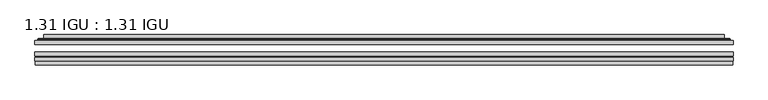
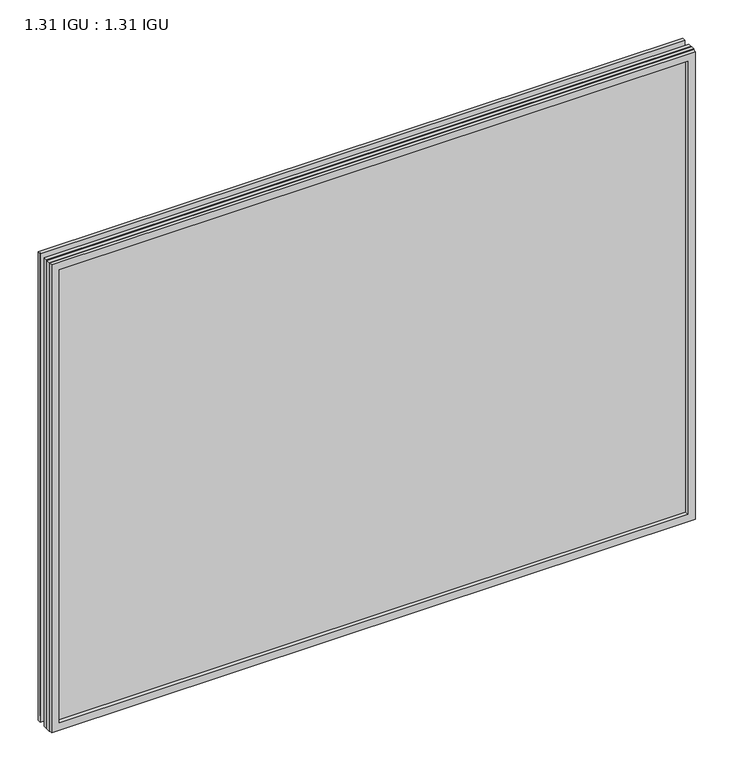
"""IFC4 building model written with IfcOpenShell, lengths in millimetres: plate geometry, 1.31 IGU : 1.31 IGU."""

from ifc_helpers import new_model, si_unit, frame, origin, place, context, project, spatial, polyline, ellipse_curve, outline, extrude, faceted_brep, source, transform, mapped, element, save
from ifc_brep_helpers import plane_surface, cylinder_surface, advanced_brep


def plate_1_31_igu_1_31_igu_48f51120(model_context):
    return source(origin(), model_context, "Body", "SolidModel", [
        extrude(outline(polyline([(566.7519462, -63.59525), (566.7519462, -69.94525), (-566.7377713, -69.94525), (-566.7377713, -63.59525), (566.7519462, -63.59525)])), frame((0.0, 0.0, -14.2875), z_axis=(0.0, 0.0, 1.0), x_axis=(1.0, 0.0, 0.0)), (0.0, 0.0, 1.0), 869.9537979),
        extrude(outline(polyline([(-566.7377713, -78.58125), (-566.7377713, -72.230745), (566.7519462, -72.230745), (566.7519462, -78.58125), (-566.7377713, -78.58125)])), frame((0.0, 0.0, -14.2875), z_axis=(0.0, 0.0, 1.0), x_axis=(1.0, 0.0, 0.0)), (0.0, 0.0, 1.0), 869.9537979),
        extrude(outline(polyline([(566.7519462, -45.25645), (566.7519462, -51.60645), (-566.7377713, -51.60645), (-566.7377713, -45.25645), (566.7519462, -45.25645)])), frame((0.0, 0.0, -14.2875), z_axis=(0.0, 0.0, 1.0), x_axis=(1.0, 0.0, 0.0)), (0.0, 0.0, 1.0), 869.9537979),
        faceted_brep([(-566.0375855, -84.93125, 854.9623142), (-566.0375855, -78.58125, 854.9623142), (-566.0375855, -78.58125, -13.5873142), (-566.0375855, -84.93125, -13.5873142), (566.0375855, -78.58125, -13.5873142), (566.0375855, -84.93125, -13.5873142), (566.0375855, -78.58125, 854.9623142), (566.0375855, -84.93125, 854.9623142), (-551.5525272, -78.58125, 0.8977441), (551.5525272, -78.58125, 0.8977441), (551.5525272, -78.58125, 840.4772559), (-551.5525272, -78.58125, 840.4772559), (-552.4449615, -84.93125, 841.3696902), (552.4449615, -84.93125, 841.3696902), (552.4449615, -84.93125, 0.0053098), (-552.4449615, -84.93125, 0.0053098)], [[[0, 1, 2, 3]], [[3, 2, 4, 5]], [[5, 4, 6, 7]], [[1, 6, 4, 2], [8, 9, 10, 11]], [[7, 6, 1, 0]], [[3, 5, 7, 0], [12, 13, 14, 15]], [[11, 12, 15, 8]], [[8, 15, 14, 9]], [[9, 14, 13, 10]], [[10, 13, 12, 11]]]),
        advanced_brep(
        [(-559.4964903, -45.25645, 848.4212191), (-561.8506957, -43.2667833, 850.7754244), (-561.8506957, -43.2667833, -9.4004244), (-559.4964903, -45.25645, -7.046219), (-550.4221652, -41.416413, 839.3468939), (-545.4873334, -45.25645, 834.4120621), (-545.4873334, -45.25645, 6.9629379), (-550.4221652, -41.416413, 2.0281061), (-551.4541929, -36.0191819, 840.3789217), (-551.4541929, -36.0191819, 0.9960783), (-552.4448497, -35.6202069, 841.3695784), (-552.4448497, -35.6202069, 0.0054216), (-552.4448497, -42.08145, 841.3695784), (-552.4448497, -42.08145, 0.0054216), (-560.8489062, -42.08145, 849.7736349), (-560.8489062, -42.08145, -8.3986349), (561.8506957, -43.2667833, -9.4004244), (559.4964903, -45.25645, -7.046219), (545.4873334, -45.25645, 6.9629379), (550.4221652, -41.416413, 2.0281061), (551.4541929, -36.0191819, 0.9960783), (552.4448497, -35.6202069, 0.0054216), (552.4448497, -42.08145, 0.0054216), (560.8489062, -42.08145, -8.3986349), (561.8506957, -43.2667833, 850.7754244), (559.4964903, -45.25645, 848.4212191), (545.4873334, -45.25645, 834.4120621), (550.4221652, -41.416413, 839.3468939), (551.4541929, -36.0191819, 840.3789217), (552.4448497, -35.6202069, 841.3695784), (552.4448497, -42.08145, 841.3695784), (560.8489062, -42.08145, 849.7736349)],
        [
            (0, 1, ellipse_curve(frame((-559.4964903, -42.86885, 848.4212191), z_axis=(-0.7071067811865475, 0.0, -0.7071067811865475), x_axis=(-0.7071067811865474, 0.0, 0.7071067811865476)), 3.3765763, 2.3876)),
            (1, 2),
            (2, 3, ellipse_curve(frame((-559.4964903, -42.86885, -7.046219), z_axis=(-0.7071067811865475, 0.0, 0.7071067811865475), x_axis=(0.7071067811865474, 0.0, 0.7071067811865476)), 3.3765763, 2.3876)),
            (3, 0),
            (4, 5),
            (5, 6),
            (6, 7),
            (7, 4),
            (8, 4),
            (7, 9),
            (9, 8),
            (10, 8, ellipse_curve(frame((-552.0778931, -36.1384423, 841.0026219), z_axis=(-0.7071067811865475, 0.0, -0.7071067811865475), x_axis=(-0.7071067811865474, 0.0, 0.7071067811865476)), 0.8980256, 0.635)),
            (9, 11, ellipse_curve(frame((-552.0778931, -36.1384423, 0.3723781), z_axis=(-0.7071067811865475, 0.0, 0.7071067811865475), x_axis=(0.7071067811865474, 0.0, 0.7071067811865476)), 0.8980256, 0.635)),
            (11, 10),
            (12, 10),
            (11, 13),
            (13, 12),
            (1, 14, ellipse_curve(frame((-560.8489062, -43.09745, 849.7736349), z_axis=(-0.7071067811865475, 0.0, -0.7071067811865475), x_axis=(-0.7071067811865474, 0.0, 0.7071067811865476)), 1.436841, 1.016)),
            (14, 15),
            (15, 2, ellipse_curve(frame((-560.8489062, -43.09745, -8.3986349), z_axis=(-0.7071067811865475, 0.0, 0.7071067811865475), x_axis=(0.7071067811865474, 0.0, 0.7071067811865476)), 1.436841, 1.016)),
            (2, 16),
            (16, 17, ellipse_curve(frame((559.4964903, -42.86885, -7.046219), z_axis=(-0.7071067811865475, 0.0, -0.7071067811865475), x_axis=(-0.7071067811865476, 0.0, 0.7071067811865474)), 3.3765763, 2.3876)),
            (17, 3),
            (6, 18),
            (18, 19),
            (19, 7),
            (19, 20),
            (20, 9),
            (20, 21, ellipse_curve(frame((552.0778931, -36.1384423, 0.3723781), z_axis=(-0.7071067811865475, 0.0, -0.7071067811865475), x_axis=(-0.7071067811865476, 0.0, 0.7071067811865474)), 0.8980256, 0.635)),
            (21, 11),
            (21, 22),
            (22, 13),
            (15, 23),
            (23, 16, ellipse_curve(frame((560.8489062, -43.09745, -8.3986349), z_axis=(-0.7071067811865475, 0.0, -0.7071067811865475), x_axis=(-0.7071067811865476, 0.0, 0.7071067811865474)), 1.436841, 1.016)),
            (16, 24),
            (24, 25, ellipse_curve(frame((559.4964903, -42.86885, 848.4212191), z_axis=(0.7071067811865475, 0.0, -0.7071067811865475), x_axis=(-0.7071067811865474, 0.0, -0.7071067811865476)), 3.3765763, 2.3876)),
            (25, 17),
            (18, 26),
            (26, 27),
            (27, 19),
            (27, 28),
            (28, 20),
            (28, 29, ellipse_curve(frame((552.0778931, -36.1384423, 841.0026219), z_axis=(0.7071067811865475, 0.0, -0.7071067811865475), x_axis=(-0.7071067811865474, 0.0, -0.7071067811865476)), 0.8980256, 0.635)),
            (29, 21),
            (29, 30),
            (30, 22),
            (23, 31),
            (31, 24, ellipse_curve(frame((560.8489062, -43.09745, 849.7736349), z_axis=(0.7071067811865475, 0.0, -0.7071067811865475), x_axis=(-0.7071067811865474, 0.0, -0.7071067811865476)), 1.436841, 1.016)),
            (24, 1),
            (0, 25),
            (5, 26),
            (4, 27),
            (8, 28),
            (10, 29),
            (12, 30),
            (14, 31),
        ],
        [
            cylinder_surface(frame((-559.4964903, -42.86885, 873.125), z_axis=(0.0, 0.0, 1.0), x_axis=(-1.0, 0.0, 0.0)), 2.3876),
            plane_surface(frame((-545.4873334, -45.25645, 834.4120621), z_axis=(0.6141233906514794, 0.7892100234124821, 0.0), x_axis=(0.0, 0.0, -1.0))),
            plane_surface(frame((-550.4221652, -41.416413, 839.3468939), z_axis=(0.9822050625507729, 0.18781164793386076, 0.0), x_axis=(0.0, 0.0, -1.0))),
            cylinder_surface(frame((-552.0778931, -36.1384423, 873.125), z_axis=(0.0, 0.0, 1.0), x_axis=(-1.0, 0.0, 0.0)), 0.635),
            plane_surface(frame((-552.4448497, -35.6202069, 841.3695784), z_axis=(-1.0, 0.0, 0.0), x_axis=(0.0, 0.0, -1.0))),
            cylinder_surface(frame((-560.8489062, -43.09745, 873.125), z_axis=(0.0, 0.0, 1.0), x_axis=(-1.0, 0.0, 0.0)), 1.016),
            cylinder_surface(frame((-584.2002713, -42.86885, -7.046219), z_axis=(-1.0, 0.0, 0.0), x_axis=(0.0, 0.0, -1.0)), 2.3876),
            plane_surface(frame((-545.4873334, -45.25645, 6.9629379), z_axis=(0.0, 0.7892100234124841, 0.6141233906514768), x_axis=(1.0, 0.0, 0.0))),
            plane_surface(frame((-550.4221652, -41.416413, 2.0281061), z_axis=(0.0, 0.18781164793386393, 0.9822050625507723), x_axis=(1.0, 0.0, 0.0))),
            cylinder_surface(frame((-584.2002713, -36.1384423, 0.3723781), z_axis=(-1.0, 0.0, 0.0), x_axis=(0.0, 0.0, -1.0)), 0.635),
            plane_surface(frame((-552.4448497, -35.6202069, 0.0054216), z_axis=(0.0, 0.0, -1.0), x_axis=(1.0, 0.0, 0.0))),
            cylinder_surface(frame((-584.2002713, -43.09745, -8.3986349), z_axis=(-1.0, 0.0, 0.0), x_axis=(0.0, 0.0, -1.0)), 1.016),
            cylinder_surface(frame((559.4964903, -42.86885, -31.75), z_axis=(0.0, 0.0, -1.0), x_axis=(1.0, 0.0, 0.0)), 2.3876),
            plane_surface(frame((545.4873334, -45.25645, 6.9629379), z_axis=(-0.6141233906514743, 0.7892100234124861, 0.0), x_axis=(0.0, 0.0, 1.0))),
            plane_surface(frame((550.4221652, -41.416413, 2.0281061), z_axis=(-0.9822050625507718, 0.1878116479338671, 0.0), x_axis=(0.0, 0.0, 1.0))),
            cylinder_surface(frame((552.0778931, -36.1384423, -31.75), z_axis=(0.0, 0.0, -1.0), x_axis=(1.0, 0.0, 0.0)), 0.635),
            plane_surface(frame((552.4448497, -35.6202069, 0.0054216), z_axis=(1.0, 0.0, 0.0), x_axis=(0.0, 0.0, 1.0))),
            cylinder_surface(frame((560.8489062, -43.09745, -31.75), z_axis=(0.0, 0.0, -1.0), x_axis=(1.0, 0.0, 0.0)), 1.016),
            cylinder_surface(frame((584.2002713, -42.86885, 848.4212191), z_axis=(1.0, 0.0, 0.0), x_axis=(0.0, 0.0, 1.0)), 2.3876),
            plane_surface(frame((559.4964903, -45.25645, 848.4212191), z_axis=(0.0, -1.0, 0.0), x_axis=(-1.0, 0.0, 0.0))),
            plane_surface(frame((545.4873334, -45.25645, 834.4120621), z_axis=(0.0, 0.7892100234124841, -0.6141233906514768), x_axis=(-1.0, 0.0, 0.0))),
            plane_surface(frame((550.4221652, -41.416413, 839.3468939), z_axis=(0.0, 0.18781164793386393, -0.9822050625507723), x_axis=(-1.0, 0.0, 0.0))),
            cylinder_surface(frame((584.2002713, -36.1384423, 841.0026219), z_axis=(1.0, 0.0, 0.0), x_axis=(0.0, 0.0, 1.0)), 0.635),
            plane_surface(frame((552.4448497, -35.6202069, 841.3695784), z_axis=(0.0, 0.0, 1.0), x_axis=(-1.0, 0.0, 0.0))),
            plane_surface(frame((552.4448497, -42.08145, 841.3695784), z_axis=(0.0, 1.0, 0.0), x_axis=(-1.0, 0.0, 0.0))),
            cylinder_surface(frame((584.2002713, -43.09745, 849.7736349), z_axis=(1.0, 0.0, 0.0), x_axis=(0.0, 0.0, 1.0)), 1.016),
        ],
        [
            (0, [[1, 2, 3, 4]]),
            (1, [[5, 6, 7, 8]]),
            (2, [[9, -8, 10, 11]]),
            (3, [[12, -11, 13, 14]]),
            (4, [[15, -14, 16, 17]]),
            (5, [[18, 19, 20, -2]]),
            (6, [[-3, 21, 22, 23]]),
            (7, [[-7, 24, 25, 26]]),
            (8, [[-10, -26, 27, 28]]),
            (9, [[-13, -28, 29, 30]]),
            (10, [[-16, -30, 31, 32]]),
            (11, [[-20, 33, 34, -21]]),
            (12, [[-22, 35, 36, 37]]),
            (13, [[-25, 38, 39, 40]]),
            (14, [[-27, -40, 41, 42]]),
            (15, [[-29, -42, 43, 44]]),
            (16, [[-31, -44, 45, 46]]),
            (17, [[-34, 47, 48, -35]]),
            (18, [[-36, 49, -1, 50]]),
            (19, [[-23, -37, -50, -4], [51, -38, -24, -6]]),
            (20, [[-39, -51, -5, 52]]),
            (21, [[-41, -52, -9, 53]]),
            (22, [[-43, -53, -12, 54]]),
            (23, [[-45, -54, -15, 55]]),
            (24, [[56, -47, -33, -19], [-32, -46, -55, -17]]),
            (25, [[-48, -56, -18, -49]]),
        ],
    ),
    ])


if __name__ == "__main__":
    model = new_model("IFC4")
    model_context = context("Model", 3, world=origin())
    ifc_project = project(units=[si_unit("LENGTHUNIT", "METRE", prefix="MILLI")], contexts=[model_context])
    site = spatial("IfcSite", under=ifc_project)
    building = spatial("IfcBuilding", under=site)
    placement = place(None, origin())
    plate_1_31_igu_1_31_igu_shape = plate_1_31_igu_1_31_igu_48f51120(model_context)
    element("IfcPlate", 1, ObjectType="1.31 IGU : 1.31 IGU", at=placement, inside=building, context=model_context, shape_type="MappedRepresentation", body=[
        mapped(plate_1_31_igu_1_31_igu_shape, transform((0.0, 0.0, 0.0), x_axis=(1.0, 0.0, 0.0), y_axis=(0.0, 1.0, 0.0), z_axis=(0.0, 0.0, 1.0))),
    ])
    save(model, "model.ifc")
